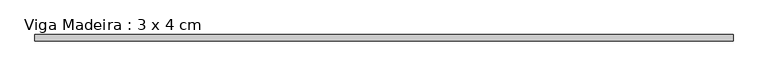
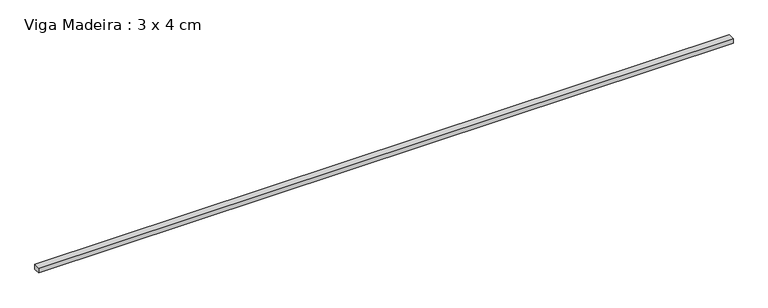
"""IFC4 building model written with IfcOpenShell, lengths in millimetres: beam geometry, Viga Madeira : 3 x 4 cm."""

from ifc_helpers import new_model, si_unit, frame, origin, place, context, project, spatial, polyline, outline, extrude, source, transform, mapped, element, save


def viga_madeira_3_x_4_cm_e469acc7(model_context):
    return source(origin(), model_context, "Body", "SweptSolid", [
        extrude(outline(polyline([(2125.2652649, 20.0), (2125.2652649, -20.0), (-2125.2652649, -20.0), (-2125.2652649, 20.0), (2125.2652649, 20.0)])), frame((0.0, 0.0, -15.0), z_axis=(0.0, 0.0, 1.0), x_axis=(1.0, 0.0, 0.0)), (0.0, 0.0, 1.0), 30.0),
    ])


if __name__ == "__main__":
    model = new_model("IFC4")
    model_context = context("Model", 3, world=origin())
    ifc_project = project(units=[si_unit("LENGTHUNIT", "METRE", prefix="MILLI")], contexts=[model_context])
    site = spatial("IfcSite", under=ifc_project)
    building = spatial("IfcBuilding", under=site)
    placement = place(None, origin())
    viga_madeira_3_x_4_cm_shape = viga_madeira_3_x_4_cm_e469acc7(model_context)
    element("IfcBeam", 1, ObjectType="Viga Madeira : 3 x 4 cm", at=placement, inside=building, context=model_context, shape_type="MappedRepresentation", body=[
        mapped(viga_madeira_3_x_4_cm_shape, transform((0.0, 0.0, 0.0), x_axis=(1.0, 0.0, 0.0), y_axis=(0.0, 1.0, 0.0), z_axis=(0.0, 0.0, 1.0))),
    ])
    save(model, "model.ifc")
